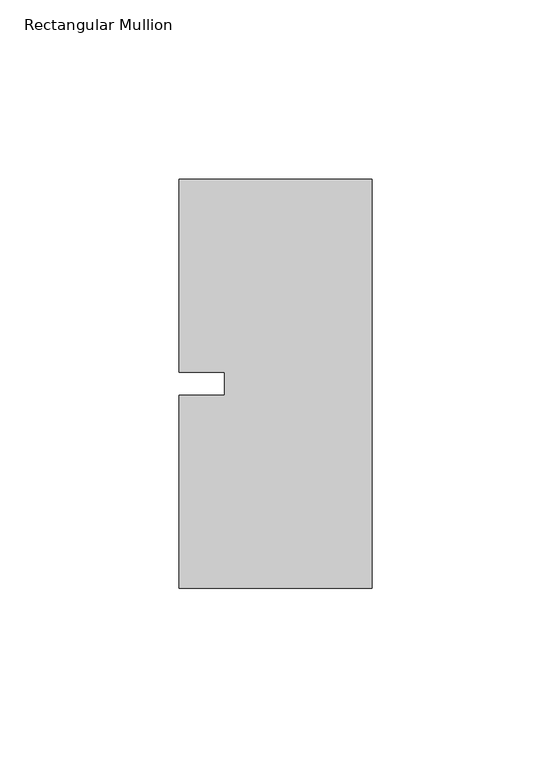
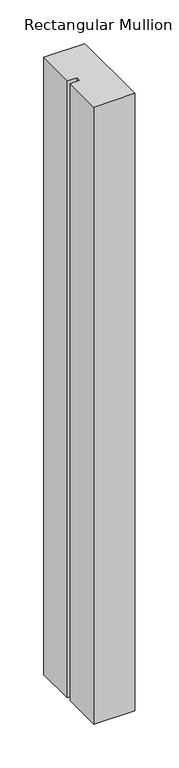
"""IFC4 building model written with IfcOpenShell, lengths in millimetres: member geometry, Rectangular Mullion."""

from ifc_helpers import new_model, si_unit, frame, origin, place, context, project, spatial, polyline, outline, extrude, source, transform, mapped, element, save


def rectangular_mullion_8786a7c9(model_context):
    return source(origin(), model_context, "Body", "SweptSolid", [
        extrude(outline(polyline([(-53.975, 57.15), (0.0, 57.15), (0.0, -57.15), (-53.975, -57.15), (-53.975, -3.175), (-41.2732296, -3.175), (-41.2732296, 3.175), (-53.975, 3.175), (-53.975, 57.15)])), frame((0.0, 0.0, -860.425), z_axis=(0.0, 0.0, 1.0), x_axis=(1.0, 0.0, 0.0)), (0.0, 0.0, 1.0), 860.425),
    ])


if __name__ == "__main__":
    model = new_model("IFC4")
    model_context = context("Model", 3, world=origin())
    ifc_project = project(units=[si_unit("LENGTHUNIT", "METRE", prefix="MILLI")], contexts=[model_context])
    site = spatial("IfcSite", under=ifc_project)
    building = spatial("IfcBuilding", under=site)
    placement = place(None, origin())
    rectangular_mullion_shape = rectangular_mullion_8786a7c9(model_context)
    element("IfcMember", 1, ObjectType="Rectangular Mullion", at=placement, inside=building, context=model_context, shape_type="MappedRepresentation", body=[
        mapped(rectangular_mullion_shape, transform((0.0, 0.0, 0.0), x_axis=(1.0, 0.0, 0.0), y_axis=(0.0, 1.0, 0.0), z_axis=(0.0, 0.0, 1.0))),
    ])
    save(model, "model.ifc")
